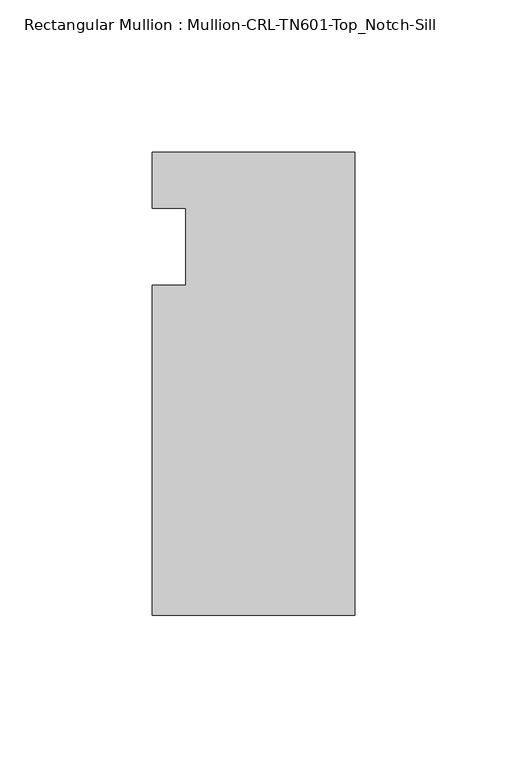
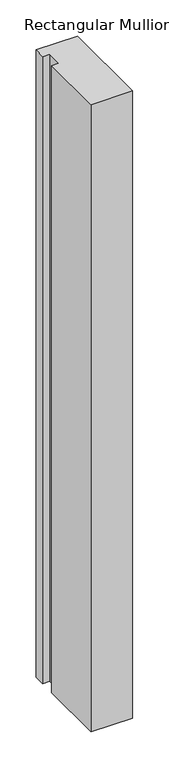
"""IFC4 building model written with IfcOpenShell, lengths in millimetres: member geometry, Rectangular Mullion : Mullion-CRL-TN601-Top_Notch-Sill."""

from ifc_helpers import new_model, si_unit, frame, origin, place, context, project, spatial, polyline, outline, extrude, source, transform, mapped, element, save


def rectangular_mullion_mullion_crl_tn601_top_notch_sill_65a89880(model_context):
    return source(origin(), model_context, "Body", "SweptSolid", [
        extrude(outline(polyline([(0.0, 31.140391), (0.0, -121.259591), (-66.675, -121.259591), (-66.675, -12.7), (-55.5625, -12.7), (-55.5625, 12.7), (-66.675, 12.7), (-66.675, 31.140391), (0.0, 31.140391)])), frame((0.0, 0.0, -1059.4298439), z_axis=(0.0, 0.0, 1.0), x_axis=(1.0, 0.0, 0.0)), (0.0, 0.0, 1.0), 1059.4298439),
    ])


if __name__ == "__main__":
    model = new_model("IFC4")
    model_context = context("Model", 3, world=origin())
    ifc_project = project(units=[si_unit("LENGTHUNIT", "METRE", prefix="MILLI")], contexts=[model_context])
    site = spatial("IfcSite", under=ifc_project)
    building = spatial("IfcBuilding", under=site)
    placement = place(None, origin())
    rectangular_mullion_mullion_crl_tn601_top_notch_sill_shape = rectangular_mullion_mullion_crl_tn601_top_notch_sill_65a89880(model_context)
    element("IfcMember", 1, ObjectType="Rectangular Mullion : Mullion-CRL-TN601-Top_Notch-Sill", at=placement, inside=building, context=model_context, shape_type="MappedRepresentation", body=[
        mapped(rectangular_mullion_mullion_crl_tn601_top_notch_sill_shape, transform((0.0, 0.0, 0.0), x_axis=(1.0, 0.0, 0.0), y_axis=(0.0, 1.0, 0.0), z_axis=(0.0, 0.0, 1.0))),
    ])
    save(model, "model.ifc")
